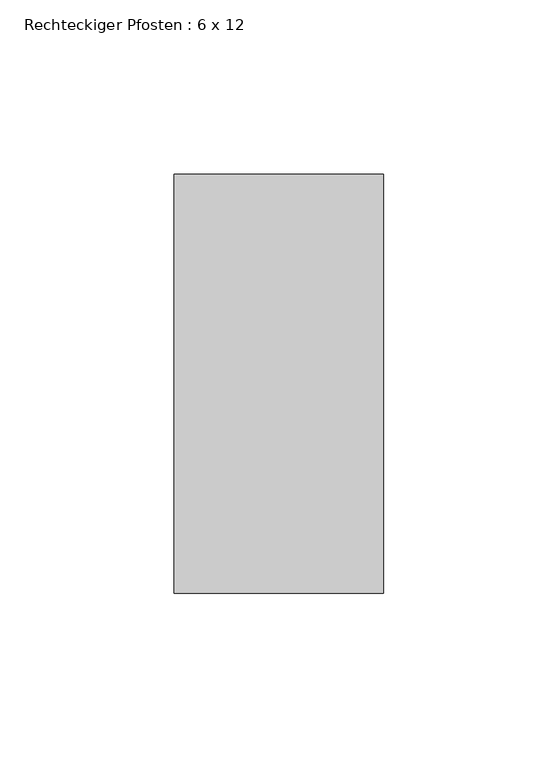
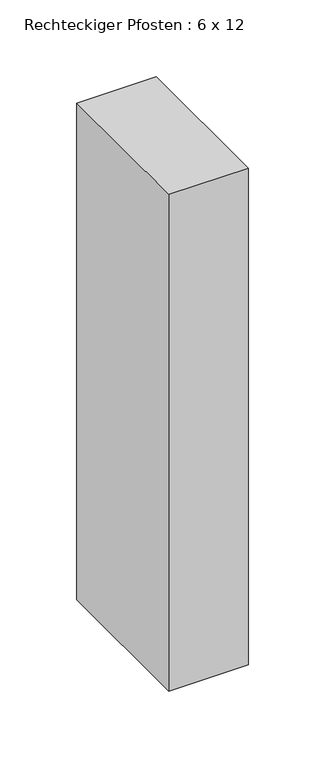
"""IFC4 building model written with IfcOpenShell, lengths in millimetres: member geometry, Rechteckiger Pfosten : 6 x 12."""

from ifc_helpers import new_model, si_unit, frame, origin, place, context, project, spatial, polyline, outline, extrude, source, transform, mapped, element, save


def rechteckiger_pfosten_6_x_12_fb6ec8fd(model_context):
    return source(origin(), model_context, "Body", "SweptSolid", [
        extrude(outline(polyline([(30.0, 60.0), (30.0, -60.0), (-30.0, -60.0), (-30.0, 60.0), (30.0, 60.0)])), frame((0.0, 0.0, -395.625), z_axis=(0.0, 0.0, 1.0), x_axis=(1.0, 0.0, 0.0)), (0.0, 0.0, 1.0), 395.625),
    ])


if __name__ == "__main__":
    model = new_model("IFC4")
    model_context = context("Model", 3, world=origin())
    ifc_project = project(units=[si_unit("LENGTHUNIT", "METRE", prefix="MILLI")], contexts=[model_context])
    site = spatial("IfcSite", under=ifc_project)
    building = spatial("IfcBuilding", under=site)
    placement = place(None, origin())
    rechteckiger_pfosten_6_x_12_shape = rechteckiger_pfosten_6_x_12_fb6ec8fd(model_context)
    element("IfcMember", 1, ObjectType="Rechteckiger Pfosten : 6 x 12", at=placement, inside=building, context=model_context, shape_type="MappedRepresentation", body=[
        mapped(rechteckiger_pfosten_6_x_12_shape, transform((0.0, 0.0, 0.0), x_axis=(1.0, 0.0, 0.0), y_axis=(0.0, 1.0, 0.0), z_axis=(0.0, 0.0, 1.0))),
    ])
    save(model, "model.ifc")
